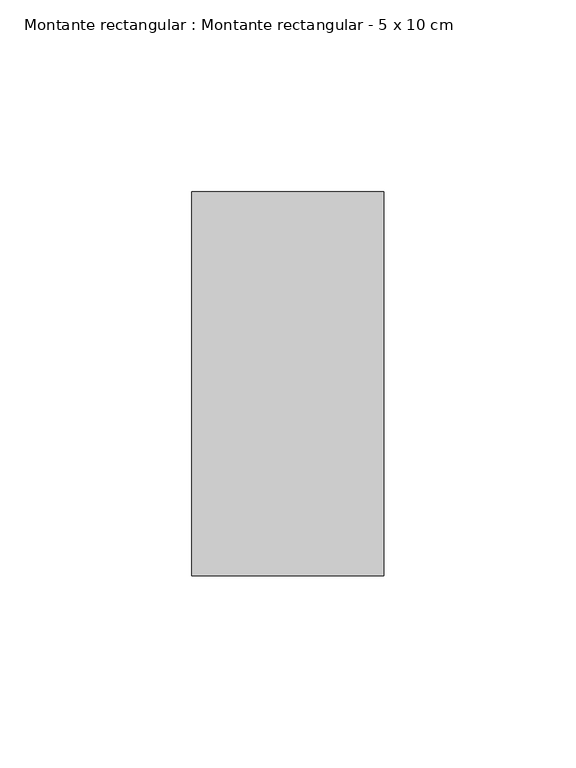
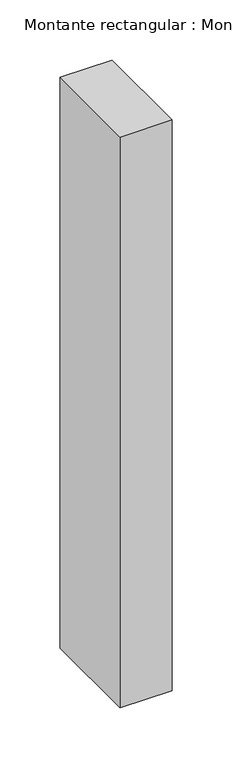
"""IFC4 building model written with IfcOpenShell, lengths in millimetres: member geometry, Montante rectangular : Montante rectangular - 5 x 10 cm."""

from ifc_helpers import new_model, si_unit, frame, origin, place, context, project, spatial, polyline, outline, extrude, source, transform, mapped, element, save


def montante_rectangular_montante_rectangular_5_x_10_cm_0a7a99ca(model_context):
    return source(origin(), model_context, "Body", "SweptSolid", [
        extrude(outline(polyline([(25.0, 50.0), (25.0, -50.0), (-25.0, -50.0), (-25.0, 50.0), (25.0, 50.0)])), frame((0.0, 0.0, -580.0), z_axis=(0.0, 0.0, 1.0), x_axis=(1.0, 0.0, 0.0)), (0.0, 0.0, 1.0), 580.0),
    ])


if __name__ == "__main__":
    model = new_model("IFC4")
    model_context = context("Model", 3, world=origin())
    ifc_project = project(units=[si_unit("LENGTHUNIT", "METRE", prefix="MILLI")], contexts=[model_context])
    site = spatial("IfcSite", under=ifc_project)
    building = spatial("IfcBuilding", under=site)
    placement = place(None, origin())
    montante_rectangular_montante_rectangular_5_x_10_cm_shape = montante_rectangular_montante_rectangular_5_x_10_cm_0a7a99ca(model_context)
    element("IfcMember", 1, ObjectType="Montante rectangular : Montante rectangular - 5 x 10 cm", at=placement, inside=building, context=model_context, shape_type="MappedRepresentation", body=[
        mapped(montante_rectangular_montante_rectangular_5_x_10_cm_shape, transform((0.0, 0.0, 0.0), x_axis=(1.0, 0.0, 0.0), y_axis=(0.0, 1.0, 0.0), z_axis=(0.0, 0.0, 1.0))),
    ])
    save(model, "model.ifc")
